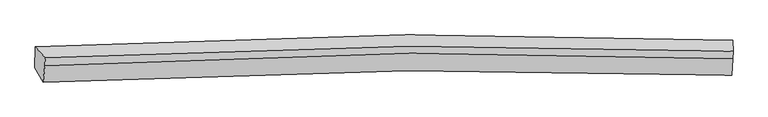
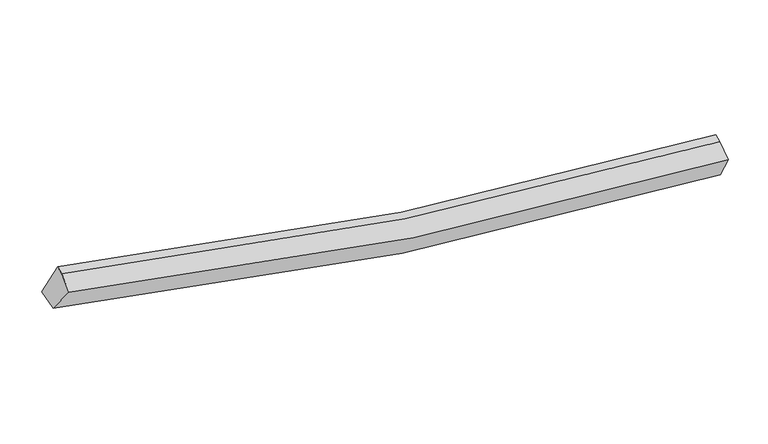
"""IFC4 building model written with IfcOpenShell, lengths in millimetres: proxy geometry."""

from ifc_helpers import new_model, si_unit, frame, origin, place, context, project, spatial, source, transform, mapped, element, save
from ifc_brep_helpers import plane_surface, spline_curve, spline_surface, advanced_brep


def generic_models_30e0941c(model_context):
    return source(origin(), model_context, "Body", "AdvancedBrep", [
        advanced_brep(
        [(-6569.8275565, -2534.3391191, 4360.4937516), (-6732.9841303, -2245.3169066, 3884.8404187), (7194.8546964, -2109.312019, 1856.9218556), (7196.7970654, -2400.4974282, 2358.5265651), (-6531.8569408, -2203.9997536, 4553.695278), (7212.7372385, -2070.4536705, 2555.2744311), (-6525.4548255, -2052.9460723, 4606.0574617), (7219.1393537, -1919.3999892, 2607.6366148), (-6725.6109957, -1832.5381342, 3994.7000799), (7211.5305789, -1696.408421, 1965.2840115)],
        [
            (0, 1),
            (1, 2, spline_curve(3, [(-6732.9841303, -2245.3169066, 3884.8404187), (-4292.902636682, -2111.590367544, 3213.295178006), (-1831.599812336, -2036.358316741, 2707.590245767), (2816.092036796, -2005.022857897, 2071.308004473), (4997.402155042, -2034.91994619, 1901.040081494), (7194.8546964, -2109.312019, 1856.9218556)], [4, 2, 4], [0.0, 24.57577389275878, 46.009874190826764])),
            (2, 3),
            (3, 0, spline_curve(3, [(7196.7970654, -2400.4974282, 2358.5265651), (5018.213331915, -2327.020467155, 2402.977677575), (2858.644291777, -2297.455688954, 2571.546049073), (-1736.21319496, -2328.253448802, 3199.817299526), (-4165.519028757, -2402.432124468, 3698.571323927), (-6569.8275565, -2534.3391191, 4360.4937516)], [4, 2, 4], [0.0, 21.434100298067985, 46.009874190826764])),
            (4, 0),
            (3, 5),
            (5, 4, spline_curve(3, [(7212.7372385, -2070.4536705, 2555.2744311), (5036.839029454, -1984.289853329, 2600.936061617), (2880.298152492, -1947.927116898, 2769.894472732), (-1707.323658135, -1976.773510508, 3397.241758994), (-4132.314174646, -2057.651608841, 3894.423629794), (-6531.8569408, -2203.9997536, 4553.695278)], [4, 2, 4], [0.0, 21.292423799015154, 45.70575515589787])),
            (6, 4),
            (5, 7),
            (7, 6, spline_curve(3, [(7219.1393537, -1919.3999892, 2607.6366148), (5043.116292479, -1836.181976345, 2652.277093564), (2886.50872735, -1801.392715234, 2820.690065166), (-1701.13138423, -1830.670887541, 3447.887677432), (-4126.055211215, -1909.975508795, 3945.614987687), (-6525.4548255, -2052.9460723, 4606.0574617)], [4, 2, 4], [0.0, 21.27587646215058, 45.67023507916291])),
            (8, 6),
            (7, 9),
            (9, 8, spline_curve(3, [(7211.5305789, -1696.408421, 1965.2840115), (5013.363783473, -1613.126129245, 2012.446484172), (2830.99917813, -1578.489437101, 2184.448796743), (-1819.686539371, -1608.560592197, 2821.642328151), (-4283.035792442, -1688.573854517, 3326.11203916), (-6725.6109957, -1832.5381342, 3994.7000799)], [4, 2, 4], [0.0, 21.424774247185237, 45.98985513605677])),
            (1, 8),
            (9, 2),
        ],
        [
            spline_surface(3, 3, [[(-6569.8275565, -2534.3391191, 4360.4937516), (-4165.519028655, -2402.43212437, 3698.57132411), (-1736.213195034, -2328.253449088, 3199.817299868), (2858.644291841, -2297.455688704, 2571.546048775), (5018.213332205, -2327.020466996, 2402.977677525), (7196.7970654, -2400.4974282, 2358.5265651)], [(-6624.21308111, -2437.998381603, 4201.942640632), (-4207.980231364, -2305.484872065, 3536.812608607), (-1768.008734262, -2230.95507158, 3035.741615267), (2844.460206935, -2199.978078478, 2404.800033933), (5011.27627325, -2229.653626781, 2235.665145484), (7196.149609084, -2303.435625128, 2191.324995244)], [(-6678.59860569, -2341.657644097, 4043.391529668), (-4250.441434045, -2208.53761975, 3375.053893108), (-1799.804273486, -2133.656694086, 2871.665930647), (2830.276122033, -2102.500468266, 2238.054019072), (5004.339214242, -2132.286786582, 2068.352613513), (7195.502152716, -2206.373822072, 2024.123425456)], [(-6732.9841303, -2245.3169066, 3884.8404187), (-4292.902636754, -2111.590367445, 3213.295177605), (-1831.599812715, -2036.358316578, 2707.590246046), (2816.092037127, -2005.02285804, 2071.30800423), (4997.402155286, -2034.919946366, 1901.040081472), (7194.8546964, -2109.312019, 1856.9218556)]], [4, 4], [4, 2, 4], [0.0, 1.9025440253983676], [0.0, 24.57577389275878, 46.009874190826764]),
            spline_surface(3, 3, [[(-6531.8569408, -2203.9997536, 4553.695278), (-4132.314174487, -2057.651608637, 3894.423629451), (-1707.323658291, -1976.773510904, 3397.241758671), (2880.298152628, -1947.927116552, 2769.894473014), (5036.839029578, -1984.289853207, 2600.936061518), (7212.7372385, -2070.4536705, 2555.2744311)], [(-6544.513812705, -2314.112875432, 4489.294769216), (-4143.382459215, -2172.578447213, 3829.139527686), (-1716.953503873, -2093.933490321, 3331.433605733), (2873.080199031, -2064.436640626, 2703.778331598), (5030.630463795, -2098.533391125, 2534.949933544), (7207.423847475, -2180.468256388, 2489.691809123)], [(-6557.170684595, -2424.225997268, 4424.894260384), (-4154.450743927, -2287.505285794, 3763.855425875), (-1726.583349452, -2211.09346967, 3265.625452805), (2865.862245438, -2180.946164631, 2637.662190191), (5024.421897988, -2212.776929079, 2468.963805499), (7202.110456425, -2290.482842312, 2424.109187077)], [(-6569.8275565, -2534.3391191, 4360.4937516), (-4165.519028655, -2402.43212437, 3698.57132411), (-1736.213195034, -2328.253449088, 3199.817299868), (2858.644291841, -2297.455688704, 2571.546048775), (5018.213332205, -2327.020466996, 2402.977677525), (7196.7970654, -2400.4974282, 2358.5265651)]], [4, 4], [4, 2, 4], [0.0, 1.323253189043747], [0.0, 24.413331356882715, 45.70575515589787]),
            spline_surface(3, 3, [[(-6525.4548255, -2052.9460723, 4606.0574617), (-4126.055211393, -1909.975509076, 3945.614987296), (-1701.131383895, -1830.670887149, 3447.887677143), (2886.508727058, -1801.392715576, 2820.690065417), (5043.116292606, -1836.181976425, 2652.277093293), (7219.1393537, -1919.3999892, 2607.6366148)], [(-6527.588863926, -2103.297299401, 4588.603400456), (-4128.141532417, -1959.200875597, 3928.551201337), (-1703.195475353, -1879.371761721, 3431.005704323), (2884.43853559, -1850.237515888, 2803.758201287), (5041.023871571, -1885.551268686, 2635.163416024), (7217.005315274, -1969.751216301, 2590.182553556)], [(-6529.722902374, -2153.648526499, 4571.149339244), (-4130.227853463, -2008.426242116, 3911.48741541), (-1705.259566834, -1928.072636332, 3414.123731491), (2882.368344097, -1899.08231624, 2786.826337145), (5038.931450614, -1934.920560946, 2618.049738787), (7214.871276926, -2020.102443399, 2572.728492344)], [(-6531.8569408, -2203.9997536, 4553.695278), (-4132.314174487, -2057.651608637, 3894.423629451), (-1707.323658291, -1976.773510904, 3397.241758671), (2880.298152628, -1947.927116552, 2769.894473014), (5036.839029578, -1984.289853207, 2600.936061518), (7212.7372385, -2070.4536705, 2555.2744311)]], [4, 4], [4, 2, 4], [0.0, 0.5084533406560575], [0.0, 24.394358617012326, 45.67023507916291]),
            spline_surface(3, 3, [[(-6725.6109957, -1832.5381342, 3994.7000799), (-4283.035792689, -1688.573854346, 3326.112038942), (-1819.686539664, -1608.5605918, 2821.642328453), (2830.999178386, -1578.489437447, 2184.448796479), (5013.363783526, -1613.126128977, 2012.446484171), (7211.5305789, -1696.408421, 1965.2840115)], [(-6658.892272292, -1906.007446882, 4198.485873857), (-4230.708932249, -1762.374405905, 3532.61302175), (-1780.168154436, -1682.597356939, 3030.390777988), (2849.502361248, -1652.790530179, 2396.52921943), (5023.281286554, -1687.478078156, 2225.723353892), (7214.066837168, -1770.738943763, 2179.401545947)], [(-6592.173548908, -1979.476759618, 4402.271667743), (-4178.382071833, -1836.174957517, 3739.114004488), (-1740.649769123, -1756.63412201, 3239.139227608), (2868.005544196, -1727.091622844, 2608.609642466), (5033.198789578, -1761.830027246, 2439.000223573), (7216.603095432, -1845.069466437, 2393.519080353)], [(-6525.4548255, -2052.9460723, 4606.0574617), (-4126.055211393, -1909.975509076, 3945.614987296), (-1701.131383895, -1830.670887149, 3447.887677143), (2886.508727058, -1801.392715576, 2820.690065417), (5043.116292607, -1836.181976425, 2652.277093293), (7219.1393537, -1919.3999892, 2607.6366148)]], [4, 4], [4, 2, 4], [0.0, 2.214073395588045], [0.0, 24.56508088887153, 45.98985513605677]),
            spline_surface(3, 3, [[(-6732.9841303, -2245.3169066, 3884.8404187), (-4292.902636754, -2111.590367445, 3213.295177605), (-1831.599812715, -2036.358316578, 2707.590246046), (2816.092037127, -2005.02285804, 2071.30800423), (4997.402155286, -2034.919946366, 1901.040081472), (7194.8546964, -2109.312019, 1856.9218556)], [(-6730.526418767, -2107.723982482, 3921.460305739), (-4289.613688732, -1970.584863094, 3250.900798023), (-1827.628721675, -1893.759074957, 2745.60760687), (2821.061084236, -1862.845051147, 2109.021601668), (5002.722698032, -1894.322007224, 1938.175549035), (7200.413323899, -1971.67748632, 1893.04257423)], [(-6728.068707233, -1970.131058318, 3958.080192861), (-4286.32474071, -1829.579358697, 3288.506418524), (-1823.657630704, -1751.159833421, 2783.624967629), (2826.030131276, -1720.667244339, 2146.735199041), (5008.04324078, -1753.72406812, 1975.311016608), (7205.971951401, -1834.04295368, 1929.16329287)], [(-6725.6109957, -1832.5381342, 3994.7000799), (-4283.035792689, -1688.573854346, 3326.112038942), (-1819.686539664, -1608.5605918, 2821.642328453), (2830.999178386, -1578.489437447, 2184.448796479), (5013.363783526, -1613.126128977, 2012.446484171), (7211.5305789, -1696.408421, 1965.2840115)]], [4, 4], [4, 2, 4], [0.0, 1.4509133295897565], [0.0, 24.72750644593128, 46.293942383860426]),
            plane_surface(frame((7207.0117866, -2039.2143056, 2268.7286956), z_axis=(0.99913649722126, -0.034136060218185646, -0.023685212965301017), x_axis=(-0.040013220490196545, -0.9440855081377101, -0.3272636483179344))),
            plane_surface(frame((-6617.1468898, -2173.8279971, 4279.957398), z_axis=(-0.9548605153531766, -0.06035508938488217, 0.2908584869052456), x_axis=(0.281304437635504, -0.49831415946683066, 0.8200919532841661))),
        ],
        [
            (0, [[1, 2, 3, 4]]),
            (1, [[5, -4, 6, 7]]),
            (2, [[8, -7, 9, 10]]),
            (3, [[11, -10, 12, 13]]),
            (4, [[14, -13, 15, -2]]),
            (5, [[-9, -6, -3, -15, -12]]),
            (6, [[-1, -5, -8, -11, -14]]),
        ],
    ),
    ])


if __name__ == "__main__":
    model = new_model("IFC4")
    model_context = context("Model", 3, world=origin())
    ifc_project = project(units=[si_unit("LENGTHUNIT", "METRE", prefix="MILLI")], contexts=[model_context])
    site = spatial("IfcSite", under=ifc_project)
    building = spatial("IfcBuilding", under=site)
    placement = place(None, origin())
    generic_models_shape = generic_models_30e0941c(model_context)
    element("IfcBuildingElementProxy", 1, Name="Generic Models", at=placement, inside=building, context=model_context, shape_type="MappedRepresentation", body=[
        mapped(generic_models_shape, transform((0.0, 0.0, 0.0), x_axis=(1.0, 0.0, 0.0), y_axis=(0.0, 1.0, 0.0), z_axis=(0.0, 0.0, 1.0))),
    ])
    save(model, "model.ifc")
